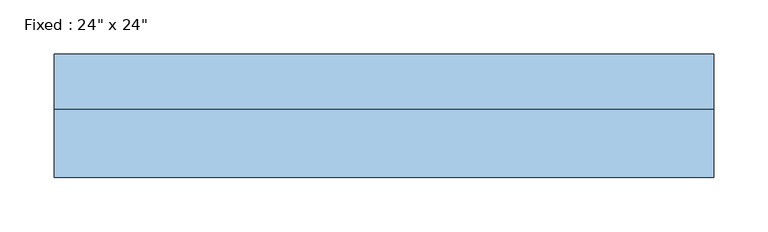
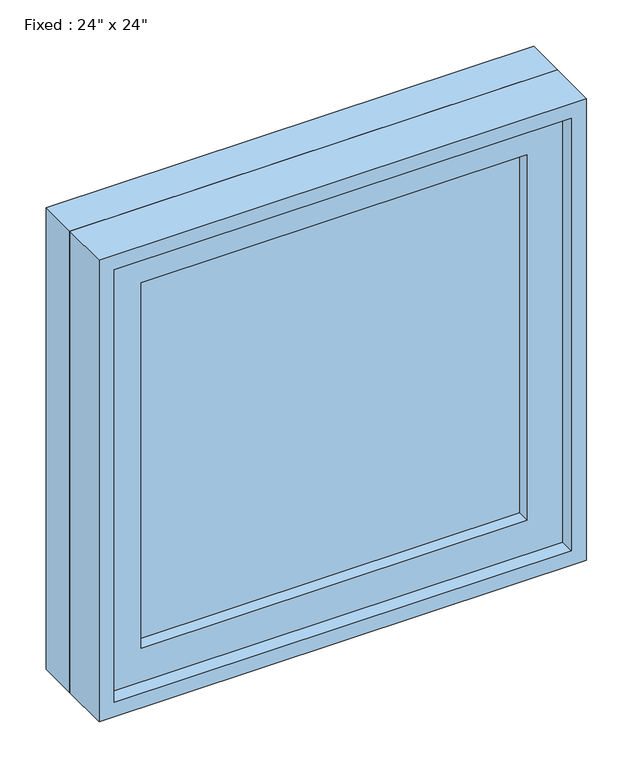
"""IFC4 building model written with IfcOpenShell, lengths in millimetres: window geometry."""

from ifc_helpers import new_model, si_unit, frame, origin, place, context, project, spatial, polyline, outline, extrude, source, transform, mapped, element, save


def window_b3ad126f(model_context):
    return source(origin(), model_context, "Body", "SweptSolid", [
        extrude(outline(polyline([(203.2, -9.525), (203.2, -22.225), (-279.4, -22.225), (-279.4, -9.525), (203.2, -9.525)])), frame((0.0, 0.0, 977.9), z_axis=(0.0, 0.0, 1.0), x_axis=(1.0, 0.0, 0.0)), (0.0, 0.0, 1.0), 482.6),
        extrude(outline(polyline([(1504.95, -323.85), (933.45, -323.85), (933.45, 247.65), (1504.95, 247.65), (1504.95, -323.85)]), holes=[polyline([(1460.5, -279.4), (1460.5, 203.2), (977.9, 203.2), (977.9, -279.4), (1460.5, -279.4)])]), frame((0.0, -38.1, 0.0), z_axis=(0.0, 1.0, 0.0), x_axis=(0.0, 0.0, 1.0)), (0.0, 0.0, 1.0), 44.45),
        extrude(outline(polyline([(1524.0, -342.9), (914.4, -342.9), (914.4, 266.7), (1524.0, 266.7), (1524.0, -342.9)]), holes=[polyline([(1492.25, -311.15), (1492.25, 234.95), (946.15, 234.95), (946.15, -311.15), (1492.25, -311.15)])]), frame((0.0, 6.35, 0.0), z_axis=(0.0, 1.0, 0.0), x_axis=(0.0, 0.0, 1.0)), (0.0, 0.0, 1.0), 50.8),
        extrude(outline(polyline([(1524.0, 266.7), (1524.0, -342.9), (914.4, -342.9), (914.4, 266.7), (1524.0, 266.7)]), holes=[polyline([(1504.95, 247.65), (933.45, 247.65), (933.45, -323.85), (1504.95, -323.85), (1504.95, 247.65)])]), frame((0.0, -57.15, 0.0), z_axis=(0.0, 1.0, 0.0), x_axis=(0.0, 0.0, 1.0)), (0.0, 0.0, 1.0), 63.5),
    ])


if __name__ == "__main__":
    model = new_model("IFC4")
    model_context = context("Model", 3, world=origin())
    ifc_project = project(units=[si_unit("LENGTHUNIT", "METRE", prefix="MILLI")], contexts=[model_context])
    site = spatial("IfcSite", under=ifc_project)
    building = spatial("IfcBuilding", under=site)
    placement = place(None, origin())
    window_shape = window_b3ad126f(model_context)
    element("IfcWindow", 1, ObjectType="Fixed : 24\" x 24\"", at=placement, inside=building, context=model_context, shape_type="MappedRepresentation", body=[
        mapped(window_shape, transform((0.0, 0.0, 0.0), x_axis=(1.0, 0.0, 0.0), y_axis=(0.0, 1.0, 0.0), z_axis=(0.0, 0.0, 1.0))),
    ])
    save(model, "model.ifc")
